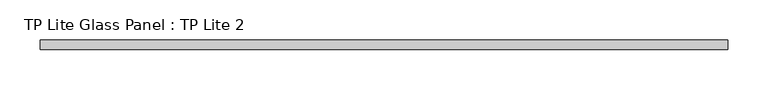
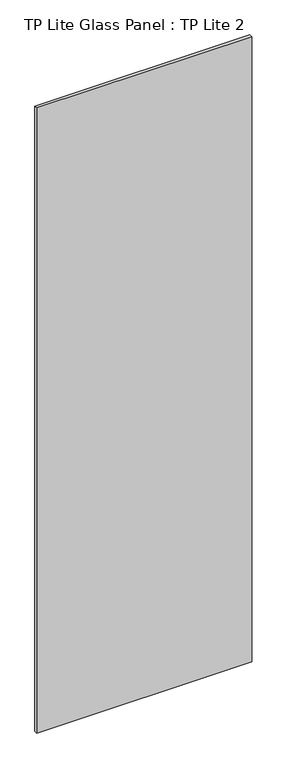
"""IFC4 building model written with IfcOpenShell, lengths in millimetres: plate geometry, TP Lite Glass Panel : TP Lite 2."""

from ifc_helpers import new_model, si_unit, origin, origin_with_axes, place, context, project, spatial, polyline, outline, extrude, source, transform, mapped, element, save


def tp_lite_glass_panel_tp_lite_2_96706f9e(model_context):
    return source(origin(), model_context, "Body", "SweptSolid", [
        extrude(outline(polyline([(429.5000004, 6.0), (429.5000004, -6.0), (-429.5000004, -6.0), (-429.5000004, 6.0), (429.5000004, 6.0)])), origin_with_axes(), (0.0, 0.0, 1.0), 2640.0000015),
    ])


if __name__ == "__main__":
    model = new_model("IFC4")
    model_context = context("Model", 3, world=origin())
    ifc_project = project(units=[si_unit("LENGTHUNIT", "METRE", prefix="MILLI")], contexts=[model_context])
    site = spatial("IfcSite", under=ifc_project)
    building = spatial("IfcBuilding", under=site)
    placement = place(None, origin())
    tp_lite_glass_panel_tp_lite_2_shape = tp_lite_glass_panel_tp_lite_2_96706f9e(model_context)
    element("IfcPlate", 1, ObjectType="TP Lite Glass Panel : TP Lite 2", at=placement, inside=building, context=model_context, shape_type="MappedRepresentation", body=[
        mapped(tp_lite_glass_panel_tp_lite_2_shape, transform((0.0, 0.0, 0.0), x_axis=(1.0, 0.0, 0.0), y_axis=(0.0, 1.0, 0.0), z_axis=(0.0, 0.0, 1.0))),
    ])
    save(model, "model.ifc")
